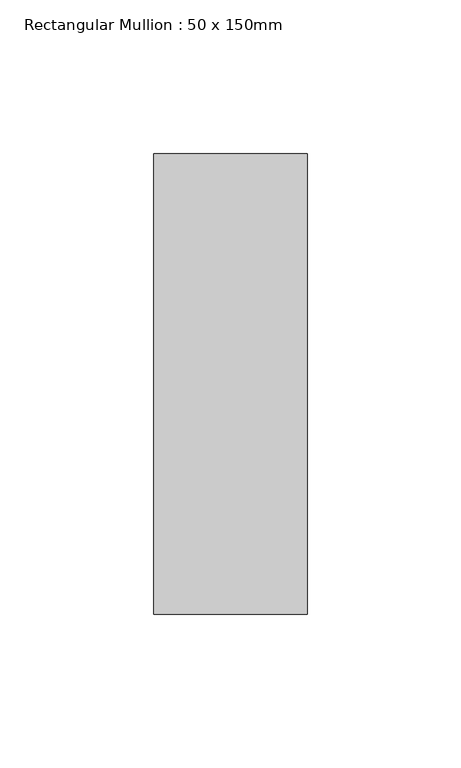
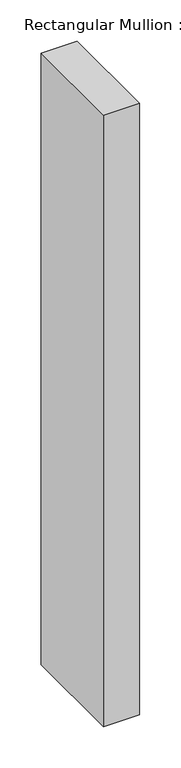
"""IFC4 building model written with IfcOpenShell, lengths in millimetres: member geometry, Rectangular Mullion : 50 x 150mm."""

from ifc_helpers import new_model, si_unit, frame, origin, place, context, project, spatial, polyline, outline, extrude, source, transform, mapped, element, save


def rectangular_mullion_50_x_150mm_35d6a770(model_context):
    return source(origin(), model_context, "Body", "SweptSolid", [
        extrude(outline(polyline([(0.0, 75.0), (0.0, -75.0), (-50.0, -75.0), (-50.0, 75.0), (0.0, 75.0)])), frame((0.0, 0.0, -900.0), z_axis=(0.0, 0.0, 1.0), x_axis=(1.0, 0.0, 0.0)), (0.0, 0.0, 1.0), 900.0),
    ])


if __name__ == "__main__":
    model = new_model("IFC4")
    model_context = context("Model", 3, world=origin())
    ifc_project = project(units=[si_unit("LENGTHUNIT", "METRE", prefix="MILLI")], contexts=[model_context])
    site = spatial("IfcSite", under=ifc_project)
    building = spatial("IfcBuilding", under=site)
    placement = place(None, origin())
    rectangular_mullion_50_x_150mm_shape = rectangular_mullion_50_x_150mm_35d6a770(model_context)
    element("IfcMember", 1, ObjectType="Rectangular Mullion : 50 x 150mm", at=placement, inside=building, context=model_context, shape_type="MappedRepresentation", body=[
        mapped(rectangular_mullion_50_x_150mm_shape, transform((0.0, 0.0, 0.0), x_axis=(1.0, 0.0, 0.0), y_axis=(0.0, 1.0, 0.0), z_axis=(0.0, 0.0, 1.0))),
    ])
    save(model, "model.ifc")
